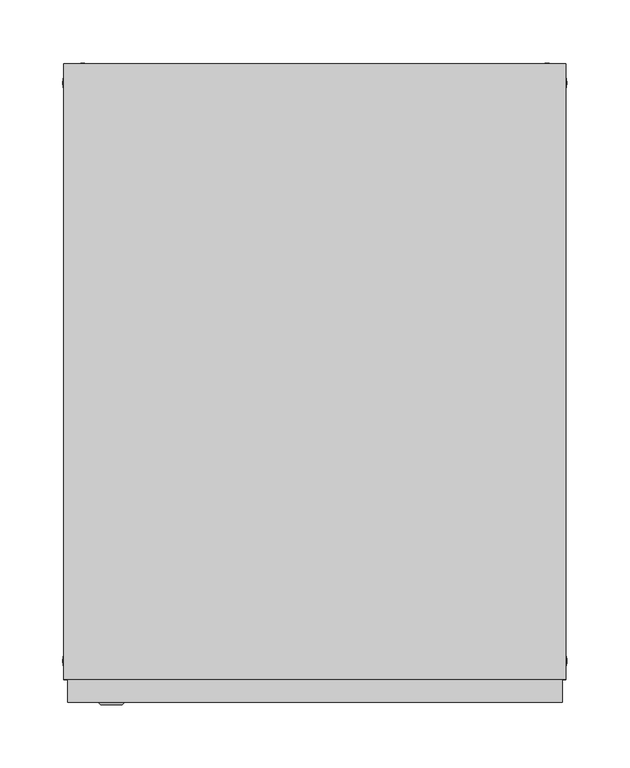
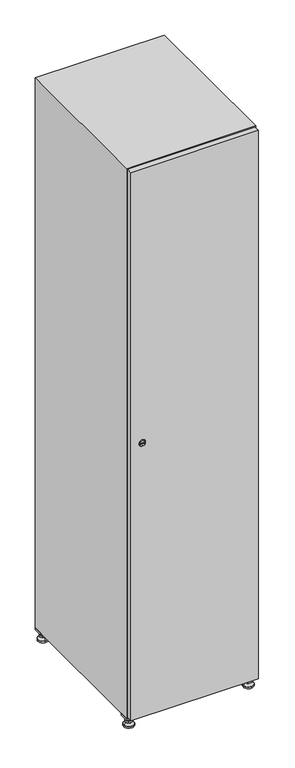
"""IFC4 building model written with IfcOpenShell, lengths in millimetres: furniture geometry."""

from ifc_helpers import new_model, si_unit, point, frame, frame_2d, origin, origin_with_axes, place, context, project, spatial, polyline, circle_curve, trimmed, segment, composite_curve, outline, extrude, faceted_brep, source, transform, mapped, element, save
from ifc_brep_helpers import plane_surface, revolved_surface, advanced_brep


def furniture_d3c5cba8(model_context):
    return source(origin(), model_context, "Body", "SolidModel", [
        extrude(outline(polyline([(200.0, 245.0), (200.0, 215.0), (170.0, 215.0), (170.0, 245.0), (200.0, 245.0)]), holes=[polyline([(198.0, 243.0), (172.0, 243.0), (172.0, 217.0), (198.0, 217.0), (198.0, 243.0)])]), frame((0.0, 0.0, 28.5), z_axis=(0.0, 0.0, 1.0), x_axis=(1.0, 0.0, 0.0)), (0.0, 0.0, 1.0), 6.5),
        extrude(outline(polyline([(170.0, -245.0), (170.0, -215.0), (200.0, -215.0), (200.0, -245.0), (170.0, -245.0)]), holes=[polyline([(172.0, -243.0), (198.0, -243.0), (198.0, -217.0), (172.0, -217.0), (172.0, -243.0)])]), frame((0.0, 0.0, 28.5), z_axis=(0.0, 0.0, 1.0), x_axis=(1.0, 0.0, 0.0)), (0.0, 0.0, 1.0), 6.5),
        extrude(outline(polyline([(-170.0, 245.0), (-170.0, 215.0), (-200.0, 215.0), (-200.0, 245.0), (-170.0, 245.0)]), holes=[polyline([(-172.0, 243.0), (-198.0, 243.0), (-198.0, 217.0), (-172.0, 217.0), (-172.0, 243.0)])]), frame((0.0, 0.0, 28.5), z_axis=(0.0, 0.0, 1.0), x_axis=(1.0, 0.0, 0.0)), (0.0, 0.0, 1.0), 6.5),
        extrude(outline(polyline([(-170.0, -215.0), (-170.0, -245.0), (-200.0, -245.0), (-200.0, -215.0), (-170.0, -215.0)]), holes=[polyline([(-198.0, -243.0), (-172.0, -243.0), (-172.0, -217.0), (-198.0, -217.0), (-198.0, -243.0)])]), frame((0.0, 0.0, 28.5), z_axis=(0.0, 0.0, 1.0), x_axis=(1.0, 0.0, 0.0)), (0.0, 0.0, 1.0), 6.5),
        extrude(outline(composite_curve([segment(trimmed(circle_curve(frame_2d((-185.0, 230.0)), 5.0), [point((-180.0, 230.0))], [point((-190.0, 230.0))], False, "CARTESIAN"), True, "CONTINUOUS"), segment(trimmed(circle_curve(frame_2d((-185.0, 230.0)), 5.0), [point((-190.0, 230.0))], [point((-180.0, 230.0))], False, "CARTESIAN"), True, "CONTINUOUS")], self_intersect=False)), frame((0.0, 0.0, 19.6), z_axis=(0.0, 0.0, 1.0), x_axis=(1.0, 0.0, 0.0)), (0.0, 0.0, 1.0), 15.4),
        extrude(outline(composite_curve([segment(trimmed(circle_curve(frame_2d((-185.0, -230.0)), 5.0), [point((-180.0, -230.0))], [point((-190.0, -230.0))], False, "CARTESIAN"), True, "CONTINUOUS"), segment(trimmed(circle_curve(frame_2d((-185.0, -230.0)), 5.0), [point((-190.0, -230.0))], [point((-180.0, -230.0))], False, "CARTESIAN"), True, "CONTINUOUS")], self_intersect=False)), frame((0.0, 0.0, 19.6), z_axis=(0.0, 0.0, 1.0), x_axis=(1.0, 0.0, 0.0)), (0.0, 0.0, 1.0), 15.4),
        extrude(outline(composite_curve([segment(trimmed(circle_curve(frame_2d((185.0, 230.0)), 5.0), [point((190.0, 230.0))], [point((180.0, 230.0))], False, "CARTESIAN"), True, "CONTINUOUS"), segment(trimmed(circle_curve(frame_2d((185.0, 230.0)), 5.0), [point((180.0, 230.0))], [point((190.0, 230.0))], False, "CARTESIAN"), True, "CONTINUOUS")], self_intersect=False)), frame((0.0, 0.0, 19.6), z_axis=(0.0, 0.0, 1.0), x_axis=(1.0, 0.0, 0.0)), (0.0, 0.0, 1.0), 15.4),
        extrude(outline(polyline([(173.4529946, 230.0), (179.2264973, 240.0), (190.7735027, 240.0), (196.5470054, 230.0), (190.7735027, 220.0), (179.2264973, 220.0), (173.4529946, 230.0)])), frame((0.0, 0.0, 13.6), z_axis=(0.0, 0.0, 1.0), x_axis=(1.0, 0.0, 0.0)), (0.0, 0.0, 1.0), 6.0),
        extrude(outline(composite_curve([segment(trimmed(circle_curve(frame_2d((185.0, -230.0)), 5.0), [point((190.0, -230.0))], [point((180.0, -230.0))], False, "CARTESIAN"), True, "CONTINUOUS"), segment(trimmed(circle_curve(frame_2d((185.0, -230.0)), 5.0), [point((180.0, -230.0))], [point((190.0, -230.0))], False, "CARTESIAN"), True, "CONTINUOUS")], self_intersect=False)), frame((0.0, 0.0, 19.6), z_axis=(0.0, 0.0, 1.0), x_axis=(1.0, 0.0, 0.0)), (0.0, 0.0, 1.0), 15.4),
        extrude(outline(polyline([(173.4529946, -230.0), (179.2264973, -220.0), (190.7735027, -220.0), (196.5470054, -230.0), (190.7735027, -240.0), (179.2264973, -240.0), (173.4529946, -230.0)])), frame((0.0, 0.0, 13.6), z_axis=(0.0, 0.0, 1.0), x_axis=(1.0, 0.0, 0.0)), (0.0, 0.0, 1.0), 6.0),
        extrude(outline(composite_curve([segment(trimmed(circle_curve(frame_2d((185.0, 230.0)), 5.0), [point((190.0, 230.0))], [point((180.0, 230.0))], False, "CARTESIAN"), True, "CONTINUOUS"), segment(trimmed(circle_curve(frame_2d((185.0, 230.0)), 5.0), [point((180.0, 230.0))], [point((190.0, 230.0))], False, "CARTESIAN"), True, "CONTINUOUS")], self_intersect=False)), frame((0.0, 0.0, 12.1), z_axis=(0.0, 0.0, 1.0), x_axis=(1.0, 0.0, 0.0)), (0.0, 0.0, 1.0), 1.5),
        extrude(outline(composite_curve([segment(trimmed(circle_curve(frame_2d((185.0, -230.0)), 5.0), [point((190.0, -230.0))], [point((180.0, -230.0))], False, "CARTESIAN"), True, "CONTINUOUS"), segment(trimmed(circle_curve(frame_2d((185.0, -230.0)), 5.0), [point((180.0, -230.0))], [point((190.0, -230.0))], False, "CARTESIAN"), True, "CONTINUOUS")], self_intersect=False)), frame((0.0, 0.0, 12.1), z_axis=(0.0, 0.0, 1.0), x_axis=(1.0, 0.0, 0.0)), (0.0, 0.0, 1.0), 1.5),
        extrude(outline(polyline([(-196.5470054, 230.0), (-190.7735027, 240.0), (-179.2264973, 240.0), (-173.4529946, 230.0), (-179.2264973, 220.0), (-190.7735027, 220.0), (-196.5470054, 230.0)])), frame((0.0, 0.0, 13.6), z_axis=(0.0, 0.0, 1.0), x_axis=(1.0, 0.0, 0.0)), (0.0, 0.0, 1.0), 6.0),
        extrude(outline(polyline([(-196.5470054, -230.0), (-190.7735027, -220.0), (-179.2264973, -220.0), (-173.4529946, -230.0), (-179.2264973, -240.0), (-190.7735027, -240.0), (-196.5470054, -230.0)])), frame((0.0, 0.0, 13.6), z_axis=(0.0, 0.0, 1.0), x_axis=(1.0, 0.0, 0.0)), (0.0, 0.0, 1.0), 6.0),
        extrude(outline(composite_curve([segment(trimmed(circle_curve(frame_2d((-185.0, 230.0)), 5.0), [point((-185.0, 235.0))], [point((-185.0, 225.0))], False, "CARTESIAN"), True, "CONTINUOUS"), segment(trimmed(circle_curve(frame_2d((-185.0, 230.0)), 5.0), [point((-185.0, 225.0))], [point((-185.0, 235.0))], False, "CARTESIAN"), True, "CONTINUOUS")], self_intersect=False)), frame((0.0, 0.0, 12.1), z_axis=(0.0, 0.0, 1.0), x_axis=(1.0, 0.0, 0.0)), (0.0, 0.0, 1.0), 1.5),
        extrude(outline(composite_curve([segment(trimmed(circle_curve(frame_2d((-185.0, -230.0)), 5.0), [point((-180.0, -230.0))], [point((-190.0, -230.0))], False, "CARTESIAN"), True, "CONTINUOUS"), segment(trimmed(circle_curve(frame_2d((-185.0, -230.0)), 5.0), [point((-190.0, -230.0))], [point((-180.0, -230.0))], False, "CARTESIAN"), True, "CONTINUOUS")], self_intersect=False)), frame((0.0, 0.0, 12.1), z_axis=(0.0, 0.0, 1.0), x_axis=(1.0, 0.0, 0.0)), (0.0, 0.0, 1.0), 1.5),
        extrude(outline(composite_curve([segment(trimmed(circle_curve(frame_2d((185.0, 230.0)), 15.75), [point((200.75, 230.0))], [point((169.25, 230.0))], False, "CARTESIAN"), True, "CONTINUOUS"), segment(trimmed(circle_curve(frame_2d((185.0, 230.0)), 15.75), [point((169.25, 230.0))], [point((200.75, 230.0))], False, "CARTESIAN"), True, "CONTINUOUS")], self_intersect=False)), origin_with_axes(), (0.0, 0.0, 1.0), 5.1),
        extrude(outline(composite_curve([segment(trimmed(circle_curve(frame_2d((185.0, -230.0)), 15.75), [point((185.0, -214.25))], [point((185.0, -245.75))], False, "CARTESIAN"), True, "CONTINUOUS"), segment(trimmed(circle_curve(frame_2d((185.0, -230.0)), 15.75), [point((185.0, -245.75))], [point((185.0, -214.25))], False, "CARTESIAN"), True, "CONTINUOUS")], self_intersect=False)), origin_with_axes(), (0.0, 0.0, 1.0), 5.1),
        extrude(outline(composite_curve([segment(trimmed(circle_curve(frame_2d((-185.0, -230.0)), 15.75), [point((-169.25, -230.0))], [point((-200.75, -230.0))], False, "CARTESIAN"), True, "CONTINUOUS"), segment(trimmed(circle_curve(frame_2d((-185.0, -230.0)), 15.75), [point((-200.75, -230.0))], [point((-169.25, -230.0))], False, "CARTESIAN"), True, "CONTINUOUS")], self_intersect=False)), origin_with_axes(), (0.0, 0.0, 1.0), 5.1),
        extrude(outline(composite_curve([segment(trimmed(circle_curve(frame_2d((-185.0, 230.0)), 15.75), [point((-169.25, 230.0))], [point((-200.75, 230.0))], False, "CARTESIAN"), True, "CONTINUOUS"), segment(trimmed(circle_curve(frame_2d((-185.0, 230.0)), 15.75), [point((-200.75, 230.0))], [point((-169.25, 230.0))], False, "CARTESIAN"), True, "CONTINUOUS")], self_intersect=False)), origin_with_axes(), (0.0, 0.0, 1.0), 5.1),
        advanced_brep(
        [(-185.0, 239.5, 12.1), (-185.0, 220.5, 12.1), (-185.0, 214.25, 5.1), (-185.0, 245.75, 5.1)],
        [
            (0, 1, circle_curve(frame((-185.0, 230.0, 12.1), z_axis=(0.0, 0.0, -1.0), x_axis=(0.0, 1.0, 0.0)), 9.5)),
            (1, 2),
            (2, 3, circle_curve(frame((-185.0, 230.0, 5.1), z_axis=(0.0, 0.0, 1.0), x_axis=(0.0, 1.0, 0.0)), 15.75)),
            (3, 0),
            (1, 0, circle_curve(frame((-185.0, 230.0, 12.1), z_axis=(0.0, 0.0, -1.0), x_axis=(0.0, -1.0, 0.0)), 9.5)),
            (3, 2, circle_curve(frame((-185.0, 230.0, 5.1), z_axis=(0.0, 0.0, 1.0), x_axis=(0.0, -1.0, 0.0)), 15.75)),
        ],
        [
            revolved_surface(polyline([(-185.0, 220.5, 12.099999999999998), (-185.0, 214.25, 5.099999999999998)]), (-185.0, 230.0, 22.74), (0.0, 0.0, -1.0)),
            revolved_surface(polyline([(-185.0, 239.5, 12.099999999999998), (-185.0, 245.75, 5.099999999999998)]), (-185.0, 230.0, 22.74), (0.0, 0.0, -1.0)),
            plane_surface(frame((-185.0, 230.0, 5.1), z_axis=(0.0, 0.0, -1.0), x_axis=(1.0, 0.0, 0.0))),
            plane_surface(frame((-185.0, 230.0, 12.1), z_axis=(0.0, 0.0, 1.0), x_axis=(1.0, 0.0, 0.0))),
        ],
        [
            (0, [[1, 2, 3, 4]]),
            (1, [[5, -4, 6, -2]]),
            (2, [[-3, -6]]),
            (3, [[-5, -1]]),
        ],
    ),
        advanced_brep(
        [(185.0, 239.5, 12.1), (185.0, 220.5, 12.1), (185.0, 214.25, 5.1), (185.0, 245.75, 5.1)],
        [
            (0, 1, circle_curve(frame((185.0, 230.0, 12.1), z_axis=(0.0, 0.0, -1.0), x_axis=(0.0, 1.0, 0.0)), 9.5)),
            (1, 2),
            (2, 3, circle_curve(frame((185.0, 230.0, 5.1), z_axis=(0.0, 0.0, 1.0), x_axis=(0.0, 1.0, 0.0)), 15.75)),
            (3, 0),
            (1, 0, circle_curve(frame((185.0, 230.0, 12.1), z_axis=(0.0, 0.0, -1.0), x_axis=(0.0, -1.0, 0.0)), 9.5)),
            (3, 2, circle_curve(frame((185.0, 230.0, 5.1), z_axis=(0.0, 0.0, 1.0), x_axis=(0.0, -1.0, 0.0)), 15.75)),
        ],
        [
            revolved_surface(polyline([(185.0, 220.5, 12.099999999999998), (185.0, 214.25, 5.099999999999998)]), (185.0, 230.0, 22.74), (0.0, 0.0, -1.0)),
            revolved_surface(polyline([(185.0, 239.5, 12.099999999999998), (185.0, 245.75, 5.099999999999998)]), (185.0, 230.0, 22.74), (0.0, 0.0, -1.0)),
            plane_surface(frame((185.0, 230.0, 5.1), z_axis=(0.0, 0.0, -1.0), x_axis=(1.0, 0.0, 0.0))),
            plane_surface(frame((185.0, 230.0, 12.1), z_axis=(0.0, 0.0, 1.0), x_axis=(1.0, 0.0, 0.0))),
        ],
        [
            (0, [[1, 2, 3, 4]]),
            (1, [[5, -4, 6, -2]]),
            (2, [[-3, -6]]),
            (3, [[-5, -1]]),
        ],
    ),
        advanced_brep(
        [(200.75, -230.0, 5.1), (169.25, -230.0, 5.1), (175.5, -230.0, 12.1), (194.5, -230.0, 12.1)],
        [
            (0, 1, circle_curve(frame((185.0, -230.0, 5.1), z_axis=(0.0, 0.0, 1.0), x_axis=(1.0, 0.0, 0.0)), 15.75)),
            (1, 2),
            (2, 3, circle_curve(frame((185.0, -230.0, 12.1), z_axis=(0.0, 0.0, -1.0), x_axis=(1.0, 0.0, 0.0)), 9.5)),
            (3, 0),
            (1, 0, circle_curve(frame((185.0, -230.0, 5.1), z_axis=(0.0, 0.0, 1.0), x_axis=(-1.0, 0.0, 0.0)), 15.75)),
            (3, 2, circle_curve(frame((185.0, -230.0, 12.1), z_axis=(0.0, 0.0, -1.0), x_axis=(-1.0, 0.0, 0.0)), 9.5)),
        ],
        [
            revolved_surface(polyline([(194.5, -230.0, 12.099999999999998), (200.75, -230.0, 5.099999999999998)]), (185.0, -230.0, 22.74), (0.0, 0.0, -1.0)),
            revolved_surface(polyline([(175.5, -230.0, 12.099999999999998), (169.25, -230.0, 5.099999999999998)]), (185.0, -230.0, 22.74), (0.0, 0.0, -1.0)),
            plane_surface(frame((185.0, -230.0, 12.1), z_axis=(0.0, 0.0, 1.0), x_axis=(0.0, 1.0, 0.0))),
            plane_surface(frame((185.0, -230.0, 5.1), z_axis=(0.0, 0.0, -1.0), x_axis=(0.0, 1.0, 0.0))),
        ],
        [
            (0, [[1, 2, 3, 4]]),
            (1, [[5, -4, 6, -2]]),
            (2, [[-3, -6]]),
            (3, [[-5, -1]]),
        ],
    ),
        advanced_brep(
        [(-169.25, -230.0, 5.1), (-200.75, -230.0, 5.1), (-194.5, -230.0, 12.1), (-175.5, -230.0, 12.1)],
        [
            (0, 1, circle_curve(frame((-185.0, -230.0, 5.1), z_axis=(0.0, 0.0, 1.0), x_axis=(1.0, 0.0, 0.0)), 15.75)),
            (1, 2),
            (2, 3, circle_curve(frame((-185.0, -230.0, 12.1), z_axis=(0.0, 0.0, -1.0), x_axis=(1.0, 0.0, 0.0)), 9.5)),
            (3, 0),
            (1, 0, circle_curve(frame((-185.0, -230.0, 5.1), z_axis=(0.0, 0.0, 1.0), x_axis=(-1.0, 0.0, 0.0)), 15.75)),
            (3, 2, circle_curve(frame((-185.0, -230.0, 12.1), z_axis=(0.0, 0.0, -1.0), x_axis=(-1.0, 0.0, 0.0)), 9.5)),
        ],
        [
            revolved_surface(polyline([(-175.5, -230.0, 12.099999999999998), (-169.25, -230.0, 5.099999999999998)]), (-185.0, -230.0, 22.74), (0.0, 0.0, -1.0)),
            revolved_surface(polyline([(-194.5, -230.0, 12.099999999999998), (-200.75, -230.0, 5.099999999999998)]), (-185.0, -230.0, 22.74), (0.0, 0.0, -1.0)),
            plane_surface(frame((-185.0, -230.0, 12.1), z_axis=(0.0, 0.0, 1.0), x_axis=(0.0, 1.0, 0.0))),
            plane_surface(frame((-185.0, -230.0, 5.1), z_axis=(0.0, 0.0, -1.0), x_axis=(0.0, 1.0, 0.0))),
        ],
        [
            (0, [[1, 2, 3, 4]]),
            (1, [[5, -4, 6, -2]]),
            (2, [[-3, -6]]),
            (3, [[-5, -1]]),
        ],
    ),
        extrude(outline(composite_curve([segment(trimmed(circle_curve(frame_2d((935.0, -188.7989466)), 7.0), [point((942.0, -188.7989466))], [point((928.0, -188.7989466))], False, "CARTESIAN"), True, "CONTINUOUS"), segment(polyline([(928.0, -188.7989466), (928.0, -160.7989466)]), True, "CONTINUOUS"), segment(trimmed(circle_curve(frame_2d((935.0, -160.7989466)), 7.0), [point((928.0, -160.7989466))], [point((942.0, -160.7989466))], False, "CARTESIAN"), True, "CONTINUOUS"), segment(polyline([(942.0, -160.7989466), (942.0, -188.7989466)]), True, "CONTINUOUS")], self_intersect=False)), frame((0.0, -245.0, 0.0), z_axis=(0.0, 1.0, 0.0), x_axis=(0.0, 0.0, 1.0)), (0.0, 0.0, 1.0), 2.0),
        advanced_brep(
        [(-153.5, -265.2, 935.0), (-170.5, -265.2, 935.0), (-167.0, -265.2, 933.75), (-167.0, -265.2, 936.25), (-157.0, -265.2, 936.25), (-157.0, -265.2, 933.75), (-151.5, -263.0, 935.0), (-172.5, -263.0, 935.0), (-167.0, -263.0, 936.25), (-167.0, -263.0, 933.75), (-157.0, -263.0, 933.75), (-157.0, -263.0, 936.25)],
        [
            (0, 1, circle_curve(frame((-162.0, -265.2, 935.0), z_axis=(0.0, -1.0, 0.0), x_axis=(1.0, 0.0, 0.0)), 8.5)),
            (1, 0, circle_curve(frame((-162.0, -265.2, 935.0), z_axis=(0.0, -1.0, 0.0), x_axis=(-1.0, 0.0, 0.0)), 8.5)),
            (2, 3),
            (3, 4),
            (4, 5),
            (5, 2),
            (6, 7, circle_curve(frame((-162.0, -263.0, 935.0), z_axis=(0.0, 1.0, 0.0), x_axis=(-1.0, 0.0, 0.0)), 10.5)),
            (7, 6, circle_curve(frame((-162.0, -263.0, 935.0), z_axis=(0.0, 1.0, 0.0), x_axis=(1.0, 0.0, 0.0)), 10.5)),
            (8, 9),
            (9, 10),
            (10, 11),
            (11, 8),
            (0, 6),
            (7, 1),
            (8, 3),
            (2, 9),
            (11, 4),
            (10, 5),
        ],
        [
            plane_surface(frame((-162.0, -265.2, 935.0), z_axis=(0.0, -1.0, 0.0), x_axis=(0.0, 0.0, 1.0))),
            plane_surface(frame((-162.0, -263.0, 935.0), z_axis=(0.0, 1.0, 0.0), x_axis=(0.0, 0.0, 1.0))),
            revolved_surface(polyline([(-153.5, -265.2, 935.0), (-151.5, -263.0, 935.0)]), (-162.0, -274.55, 935.0), (0.0, 1.0, 0.0)),
            revolved_surface(polyline([(-170.5, -265.2, 935.0), (-172.5, -263.0, 935.0)]), (-162.0, -274.55, 935.0), (0.0, 1.0, 0.0)),
            plane_surface(frame((-167.0, -263.0, 933.75), z_axis=(1.0, 0.0, 0.0), x_axis=(0.0, -1.0, 0.0))),
            plane_surface(frame((-167.0, -263.0, 936.25), z_axis=(0.0, 0.0, -1.0), x_axis=(0.0, -1.0, 0.0))),
            plane_surface(frame((-157.0, -263.0, 936.25), z_axis=(-1.0, 0.0, 0.0), x_axis=(0.0, -1.0, 0.0))),
            plane_surface(frame((-157.0, -263.0, 933.75), z_axis=(0.0, 0.0, 1.0), x_axis=(0.0, -1.0, 0.0))),
        ],
        [
            (0, [[1, 2], [3, 4, 5, 6]]),
            (1, [[7, 8], [9, 10, 11, 12]]),
            (2, [[-1, 13, -8, 14]]),
            (3, [[-2, -14, -7, -13]]),
            (4, [[15, -3, 16, -9]]),
            (5, [[-15, -12, 17, -4]]),
            (6, [[-17, -11, 18, -5]]),
            (7, [[-16, -6, -18, -10]]),
        ],
    ),
        extrude(outline(polyline([(197.0, -245.0), (197.0, -263.0), (-197.0, -263.0), (-197.0, -245.0), (197.0, -245.0)])), frame((0.0, 0.0, 38.0), z_axis=(0.0, 0.0, 1.0), x_axis=(1.0, 0.0, 0.0)), (0.0, 0.0, 1.0), 1794.0),
        faceted_brep([(200.0, -245.0, 35.0), (200.0, -245.0, 1835.0), (-200.0, -245.0, 1835.0), (-200.0, -245.0, 35.0), (179.6, -245.0, 1804.8), (179.6, -245.0, 65.2), (-179.6, -245.0, 65.2), (-179.6, -245.0, 1804.8), (200.0, 245.0, 35.0), (-200.0, 245.0, 35.0), (200.0, 245.0, 1835.0), (-200.0, 245.0, 1835.0), (179.6, 242.0, 1804.8), (179.6, 242.0, 65.2), (-200.0, 245.0, 1804.8), (-179.6, 242.0, 1804.8), (-179.6, 242.0, 65.2)], [[[0, 1, 2, 3], [4, 5, 6, 7]], [[8, 0, 3, 9]], [[1, 0, 8, 10]], [[1, 10, 11, 2]], [[4, 12, 13, 5]], [[9, 3, 2, 11, 14]], [[10, 8, 9, 14, 11]], [[12, 15, 16, 13]], [[15, 7, 6, 16]], [[4, 7, 15, 12]], [[6, 5, 13, 16]]]),
    ])


if __name__ == "__main__":
    model = new_model("IFC4")
    model_context = context("Model", 3, world=origin())
    ifc_project = project(units=[si_unit("LENGTHUNIT", "METRE", prefix="MILLI")], contexts=[model_context])
    site = spatial("IfcSite", under=ifc_project)
    building = spatial("IfcBuilding", under=site)
    placement = place(None, origin())
    furniture_shape = furniture_d3c5cba8(model_context)
    element("IfcFurniture", 1, at=placement, inside=building, context=model_context, shape_type="MappedRepresentation", body=[
        mapped(furniture_shape, transform((0.0, 0.0, 0.0), x_axis=(1.0, 0.0, 0.0), y_axis=(0.0, 1.0, 0.0), z_axis=(0.0, 0.0, 1.0))),
    ])
    save(model, "model.ifc")
